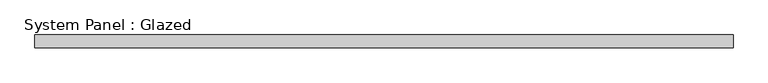
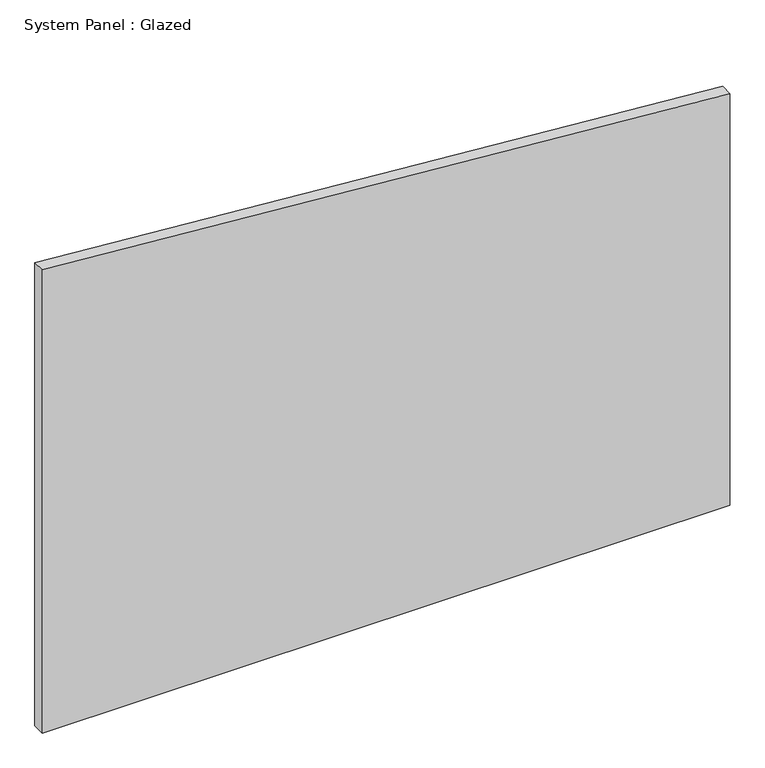
"""IFC4 building model written with IfcOpenShell, lengths in millimetres: plate geometry, System Panel : Glazed."""

from ifc_helpers import new_model, si_unit, frame, origin, place, context, project, spatial, polyline, outline, extrude, source, transform, mapped, element, save


def system_panel_glazed_9c8a6a33(model_context):
    return source(origin(), model_context, "Body", "SweptSolid", [
        extrude(outline(polyline([(0.0, -685.05), (0.0, 685.05), (867.4697618, 685.05), (975.7246942, -685.05), (0.0, -685.05)])), frame((0.0, 19.05, 0.0), z_axis=(0.0, 1.0, 0.0), x_axis=(0.0, 0.0, 1.0)), (0.0, 0.0, 1.0), 25.4),
    ])


if __name__ == "__main__":
    model = new_model("IFC4")
    model_context = context("Model", 3, world=origin())
    ifc_project = project(units=[si_unit("LENGTHUNIT", "METRE", prefix="MILLI")], contexts=[model_context])
    site = spatial("IfcSite", under=ifc_project)
    building = spatial("IfcBuilding", under=site)
    placement = place(None, origin())
    system_panel_glazed_shape = system_panel_glazed_9c8a6a33(model_context)
    element("IfcPlate", 1, ObjectType="System Panel : Glazed", at=placement, inside=building, context=model_context, shape_type="MappedRepresentation", body=[
        mapped(system_panel_glazed_shape, transform((0.0, 0.0, 0.0), x_axis=(1.0, 0.0, 0.0), y_axis=(0.0, 1.0, 0.0), z_axis=(0.0, 0.0, 1.0))),
    ])
    save(model, "model.ifc")
